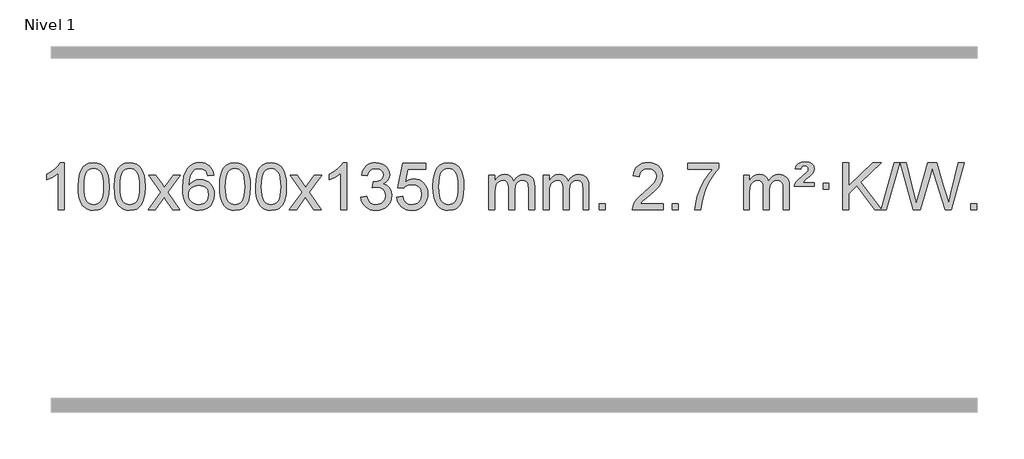
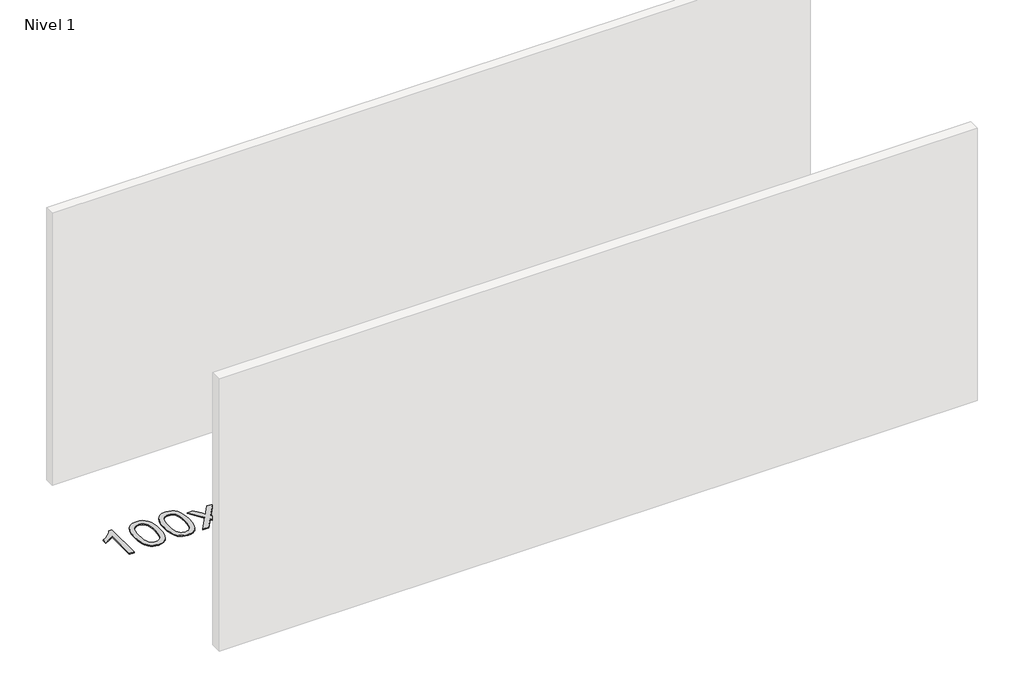
# One storey, part 13 of 21: 1 proxy.
"""IFC4 building model written with IfcOpenShell, lengths in millimetres."""

from ifc_helpers import new_model, si_unit, origin, origin_with_axes, place, context, project, spatial, polyline, outline, extrude, element, save

model = new_model("IFC4")

# Units and contexts
model_context = context("Model", 3, world=origin())
ifc_project = project(units=[si_unit("LENGTHUNIT", "METRE", prefix="MILLI")], contexts=[model_context])

# Site, building, storey
site = spatial("IfcSite", under=ifc_project)
building = spatial("IfcBuilding", under=site)
storey = spatial("IfcBuildingStorey", under=building, Name="Nivel 1", Elevation=0.0)

# Proxy
placement = place(None, origin())
element("IfcBuildingElementProxy", 1, Name="Texto de modelo 1", ObjectType="Texto de modelo 1", at=placement, inside=storey, context=model_context, shape_type="SweptSolid", body=[
    extrude(outline(polyline([(-121.6378538, -18510.579453), (-171.8660089, -18510.579453), (-171.8660089, -18197.4382987), (-192.8352826, -18214.3976587), (-219.4454136, -18231.3324932), (-272.3223191, -18256.6918254), (-272.3223191, -18209.2105225), (-232.8731065, -18187.7507395), (-198.6968691, -18162.219729), (-171.7556443, -18135.0700378), (-154.0114694, -18108.7542124), (-121.6378538, -18108.7542124), (-121.6378538, -18510.579453)])), origin_with_axes(), (0.0, 0.0, 1.0), 10.0),
    extrude(outline(polyline([(-2.3459855, -18312.9041943), (1.3450971, -18248.5861588), (12.4183452, -18197.2911459), (30.763394, -18158.2343407), (42.621457, -18143.0009605), (56.269879, -18130.6309284), (71.7546453, -18121.0598651), (89.1217412, -18114.2233914), (129.5029215, -18108.7542124), (160.4540601, -18111.991574), (188.167837, -18121.7036586), (211.3444027, -18137.5103217), (228.6839074, -18159.0314184), (241.7805065, -18186.0830078), (252.2283551, -18218.4811488), (259.0709602, -18259.6226186), (261.3518286, -18312.9041943), (257.6975341, -18376.8543477), (246.7346507, -18428.0267333), (228.4999664, -18467.1203266), (216.6694946, -18482.3996922), (203.0302696, -18494.8341036), (187.5271092, -18504.4695462), (170.1048311, -18511.3520052), (129.5029215, -18516.8579724), (101.8381955, -18514.4667394), (77.3127291, -18507.2930405), (55.9265225, -18495.3368757), (37.6795755, -18478.5982449), (20.1683926, -18448.3399508), (7.6604047, -18410.6381776), (0.155612, -18365.4929255), (-2.3459855, -18312.9041943)]), holes=[polyline([(47.8821695, -18312.8060924), (49.3536975, -18356.4706195), (53.7682815, -18391.8148822), (61.1259214, -18418.8388804), (71.4266172, -18437.5426142), (83.8855541, -18450.2682656), (97.7179171, -18459.3580165), (112.9237063, -18464.8118671), (129.5029215, -18466.6298173), (146.0821368, -18464.8057357), (161.2879259, -18459.3334911), (175.1202889, -18450.2130833), (187.5792258, -18437.4445124), (197.8799217, -18418.7101217), (205.2375616, -18391.6922549), (209.6521455, -18356.3909118), (211.1236735, -18312.8060924), (209.7011965, -18270.2973278), (205.4337653, -18235.5753989), (198.3213801, -18208.6403055), (188.3640408, -18189.4920476), (176.1135703, -18176.1440625), (162.1217918, -18166.6097875), (146.3887051, -18160.8892225), (128.9143103, -18158.9823675), (112.4209342, -18160.6623619), (97.4726625, -18165.7023452), (84.0694951, -18174.1023175), (72.2114321, -18185.8622786), (61.5673797, -18206.708925), (53.9644852, -18234.8151094), (49.4027484, -18270.1808319), (47.8821695, -18312.8060924)])]), origin_with_axes(), (0.0, 0.0, 1.0), 10.0),
    extrude(outline(polyline([(305.3014643, -18312.9041943), (308.992547, -18248.5861588), (320.065795, -18197.2911459), (338.4108439, -18158.2343407), (350.2689068, -18143.0009605), (363.9173289, -18130.6309284), (379.4020952, -18121.0598651), (396.769191, -18114.2233914), (437.1503714, -18108.7542124), (468.1015099, -18111.991574), (495.8152869, -18121.7036586), (518.9918526, -18137.5103217), (536.3313573, -18159.0314184), (549.4279563, -18186.0830078), (559.8758049, -18218.4811488), (566.7184101, -18259.6226186), (568.9992784, -18312.9041943), (565.3449839, -18376.8543477), (554.3821005, -18428.0267333), (536.1474163, -18467.1203266), (524.3169444, -18482.3996922), (510.6777195, -18494.8341036), (495.174559, -18504.4695462), (477.7522809, -18511.3520052), (437.1503714, -18516.8579724), (409.4856453, -18514.4667394), (384.960179, -18507.2930405), (363.5739723, -18495.3368757), (345.3270254, -18478.5982449), (327.8158424, -18448.3399508), (315.3078546, -18410.6381776), (307.8030619, -18365.4929255), (305.3014643, -18312.9041943)]), holes=[polyline([(355.5296194, -18312.8060924), (357.0011473, -18356.4706195), (361.4157313, -18391.8148822), (368.7733712, -18418.8388804), (379.0740671, -18437.5426142), (391.533004, -18450.2682656), (405.365367, -18459.3580165), (420.5711561, -18464.8118671), (437.1503714, -18466.6298173), (453.7295866, -18464.8057357), (468.9353757, -18459.3334911), (482.7677388, -18450.2130833), (495.2266757, -18437.4445124), (505.5273715, -18418.7101217), (512.8850114, -18391.6922549), (517.2995954, -18356.3909118), (518.7711234, -18312.8060924), (517.3486463, -18270.2973278), (513.0812152, -18235.5753989), (505.9688299, -18208.6403055), (496.0114906, -18189.4920476), (483.7610201, -18176.1440625), (469.7692416, -18166.6097875), (454.0361549, -18160.8892225), (436.5617602, -18158.9823675), (420.068384, -18160.6623619), (405.1201123, -18165.7023452), (391.716945, -18174.1023175), (379.858882, -18185.8622786), (369.2148296, -18206.708925), (361.611935, -18234.8151094), (357.0501983, -18270.1808319), (355.5296194, -18312.8060924)])]), origin_with_axes(), (0.0, 0.0, 1.0), 10.0),
    extrude(outline(polyline([(594.113356, -18510.579453), (701.4367967, -18362.2494325), (600.3918754, -18215.4890419), (660.8226244, -18215.4890419), (709.5792515, -18286.122385), (732.3388843, -18319.4770192), (752.0573592, -18292.2047007), (807.583015, -18215.4890419), (868.0137641, -18215.4890419), (761.8675458, -18362.2494325), (864.0896895, -18510.579453), (803.6589404, -18510.579453), (742.1490708, -18421.4048574), (730.8673563, -18405.1199477), (654.544105, -18510.579453), (594.113356, -18510.579453)])), origin_with_axes(), (0.0, 0.0, 1.0), 10.0),
    extrude(outline(polyline([(1152.9015812, -18215.4890419), (1102.6734261, -18221.7675613), (1094.5800222, -18196.874213), (1083.6416642, -18179.8780648), (1060.857506, -18164.2062918), (1033.3154073, -18158.9823675), (1009.9671633, -18162.0235253), (987.9923455, -18171.1469988), (969.1199991, -18190.3627017), (953.7057435, -18216.8134171), (943.2946831, -18254.227016), (939.4319221, -18306.3313693), (959.5795927, -18282.8237098), (983.7249143, -18266.2567573), (1010.5189863, -18256.434308), (1038.612908, -18253.1601582), (1062.7459669, -18255.398107), (1085.0150903, -18262.1119534), (1105.4202783, -18273.3016975), (1123.9615309, -18288.9673391), (1139.3696551, -18308.1769106), (1150.3754581, -18329.9984443), (1156.97894, -18354.4319401), (1159.1801006, -18381.4773982), (1155.0352967, -18417.4439945), (1142.6008853, -18450.786366), (1122.9069358, -18479.0642287), (1096.9835179, -18499.8372987), (1066.0078539, -18512.602804), (1031.1571662, -18516.8579724), (1001.2146375, -18514.0375437), (974.1722452, -18505.5762579), (950.0299893, -18491.4741147), (928.7878697, -18471.7311143), (911.4698248, -18445.5133908), (899.0997927, -18411.9870783), (891.6777734, -18371.1521768), (889.203767, -18323.0086864), (891.9506193, -18269.0342663), (900.191176, -18222.9693092), (913.9254371, -18184.8138149), (933.1534027, -18154.5677835), (953.9939177, -18134.5243462), (978.1576335, -18120.2076052), (1005.6445499, -18111.6175606), (1036.454667, -18108.7542124), (1059.5883131, -18110.5261773), (1080.52693, -18115.8420722), (1099.2705176, -18124.7018969), (1115.8190761, -18137.1056515), (1129.7250155, -18152.6364031), (1140.5407461, -18170.8772186), (1148.266268, -18191.8280983), (1152.9015812, -18215.4890419)]), holes=[polyline([(939.4319221, -18380.6925832), (942.3381899, -18402.9494439), (951.0569932, -18424.2007605), (964.5950506, -18442.472233), (981.9590807, -18455.7895612), (1002.9160917, -18463.9197533), (1027.2330916, -18466.6298173), (1060.3792594, -18461.0134855), (1074.2943959, -18453.9930708), (1086.4375674, -18444.1644901), (1096.2876078, -18431.9262824), (1103.323351, -18417.6769865), (1108.9519455, -18383.1451299), (1103.3969274, -18349.9989621), (1096.4531547, -18336.3781312), (1086.731873, -18324.725469), (1074.5519133, -18315.3904634), (1060.2321066, -18308.7226022), (1025.1729524, -18303.3883133), (992.0758356, -18308.7226022), (964.3988468, -18324.725469), (953.4758173, -18336.2248471), (945.6736533, -18349.3858254), (940.9923549, -18364.2084042), (939.4319221, -18380.6925832)])]), origin_with_axes(), (0.0, 0.0, 1.0), 10.0),
    extrude(outline(polyline([(1203.1297362, -18312.9041943), (1206.8208189, -18248.5861588), (1217.894067, -18197.2911459), (1236.2391158, -18158.2343407), (1248.0971788, -18143.0009605), (1261.7456008, -18130.6309284), (1277.2303671, -18121.0598651), (1294.597463, -18114.2233914), (1334.9786433, -18108.7542124), (1365.9297818, -18111.991574), (1393.6435588, -18121.7036586), (1416.8201245, -18137.5103217), (1434.1596292, -18159.0314184), (1447.2562282, -18186.0830078), (1457.7040769, -18218.4811488), (1464.546682, -18259.6226186), (1466.8275504, -18312.9041943), (1463.1732559, -18376.8543477), (1452.2103725, -18428.0267333), (1433.9756882, -18467.1203266), (1422.1452164, -18482.3996922), (1408.5059914, -18494.8341036), (1393.002831, -18504.4695462), (1375.5805529, -18511.3520052), (1334.9786433, -18516.8579724), (1307.3139173, -18514.4667394), (1282.7884509, -18507.2930405), (1261.4022443, -18495.3368757), (1243.1552973, -18478.5982449), (1225.6441144, -18448.3399508), (1213.1361265, -18410.6381776), (1205.6313338, -18365.4929255), (1203.1297362, -18312.9041943)]), holes=[polyline([(1253.3578913, -18312.8060924), (1254.8294193, -18356.4706195), (1259.2440032, -18391.8148822), (1266.6016432, -18418.8388804), (1276.902339, -18437.5426142), (1289.3612759, -18450.2682656), (1303.1936389, -18459.3580165), (1318.3994281, -18464.8118671), (1334.9786433, -18466.6298173), (1351.5578586, -18464.8057357), (1366.7636477, -18459.3334911), (1380.5960107, -18450.2130833), (1393.0549476, -18437.4445124), (1403.3556435, -18418.7101217), (1410.7132834, -18391.6922549), (1415.1278673, -18356.3909118), (1416.5993953, -18312.8060924), (1415.1769183, -18270.2973278), (1410.9094871, -18235.5753989), (1403.7971019, -18208.6403055), (1393.8397625, -18189.4920476), (1381.5892921, -18176.1440625), (1367.5975136, -18166.6097875), (1351.8644269, -18160.8892225), (1334.3900321, -18158.9823675), (1317.896656, -18160.6623619), (1302.9483843, -18165.7023452), (1289.5452169, -18174.1023175), (1277.6871539, -18185.8622786), (1267.0431015, -18206.708925), (1259.440207, -18234.8151094), (1254.8784702, -18270.1808319), (1253.3578913, -18312.8060924)])]), origin_with_axes(), (0.0, 0.0, 1.0), 10.0),
    extrude(outline(polyline([(1510.7771861, -18312.9041943), (1514.4682688, -18248.5861588), (1525.5415168, -18197.2911459), (1543.8865656, -18158.2343407), (1555.7446286, -18143.0009605), (1569.3930506, -18130.6309284), (1584.877817, -18121.0598651), (1602.2449128, -18114.2233914), (1642.6260932, -18108.7542124), (1673.5772317, -18111.991574), (1701.2910087, -18121.7036586), (1724.4675743, -18137.5103217), (1741.8070791, -18159.0314184), (1754.9036781, -18186.0830078), (1765.3515267, -18218.4811488), (1772.1941319, -18259.6226186), (1774.4750002, -18312.9041943), (1770.8207057, -18376.8543477), (1759.8578223, -18428.0267333), (1741.6231381, -18467.1203266), (1729.7926662, -18482.3996922), (1716.1534413, -18494.8341036), (1700.6502808, -18504.4695462), (1683.2280027, -18511.3520052), (1642.6260932, -18516.8579724), (1614.9613671, -18514.4667394), (1590.4359008, -18507.2930405), (1569.0496941, -18495.3368757), (1550.8027472, -18478.5982449), (1533.2915642, -18448.3399508), (1520.7835764, -18410.6381776), (1513.2787836, -18365.4929255), (1510.7771861, -18312.9041943)]), holes=[polyline([(1561.0053412, -18312.8060924), (1562.4768691, -18356.4706195), (1566.8914531, -18391.8148822), (1574.249093, -18418.8388804), (1584.5497888, -18437.5426142), (1597.0087258, -18450.2682656), (1610.8410888, -18459.3580165), (1626.0468779, -18464.8118671), (1642.6260932, -18466.6298173), (1659.2053084, -18464.8057357), (1674.4110975, -18459.3334911), (1688.2434606, -18450.2130833), (1700.7023975, -18437.4445124), (1711.0030933, -18418.7101217), (1718.3607332, -18391.6922549), (1722.7753172, -18356.3909118), (1724.2468452, -18312.8060924), (1722.8243681, -18270.2973278), (1718.556937, -18235.5753989), (1711.4445517, -18208.6403055), (1701.4872124, -18189.4920476), (1689.2367419, -18176.1440625), (1675.2449634, -18166.6097875), (1659.5118767, -18160.8892225), (1642.037482, -18158.9823675), (1625.5441058, -18160.6623619), (1610.5958341, -18165.7023452), (1597.1926667, -18174.1023175), (1585.3346038, -18185.8622786), (1574.6905514, -18206.708925), (1567.0876568, -18234.8151094), (1562.5259201, -18270.1808319), (1561.0053412, -18312.8060924)])]), origin_with_axes(), (0.0, 0.0, 1.0), 10.0),
    extrude(outline(polyline([(1799.5890778, -18510.579453), (1906.9125185, -18362.2494325), (1805.8675971, -18215.4890419), (1866.2983462, -18215.4890419), (1915.0549733, -18286.122385), (1937.8146061, -18319.4770192), (1957.533081, -18292.2047007), (2013.0587368, -18215.4890419), (2073.4894859, -18215.4890419), (1967.3432676, -18362.2494325), (2069.5654113, -18510.579453), (2009.1346622, -18510.579453), (1947.6247926, -18421.4048574), (1936.3430781, -18405.1199477), (1860.0198268, -18510.579453), (1799.5890778, -18510.579453)])), origin_with_axes(), (0.0, 0.0, 1.0), 10.0),
    extrude(outline(polyline([(2289.3135897, -18510.579453), (2239.0854347, -18510.579453), (2239.0854347, -18197.4382987), (2218.1161609, -18214.3976587), (2191.50603, -18231.3324932), (2138.6291245, -18256.6918254), (2138.6291245, -18209.2105225), (2178.0783371, -18187.7507395), (2212.2545745, -18162.219729), (2239.1957993, -18135.0700378), (2256.9399742, -18108.7542124), (2289.3135897, -18108.7542124), (2289.3135897, -18510.579453)])), origin_with_axes(), (0.0, 0.0, 1.0), 10.0),
    extrude(outline(polyline([(2408.605458, -18403.8446235), (2458.8336131, -18397.5661041), (2470.0785394, -18429.1303793), (2486.5473901, -18450.4430095), (2509.0495055, -18462.5831154), (2538.3942259, -18466.6298173), (2572.8279807, -18461.0625364), (2587.1018021, -18454.1034354), (2599.4135862, -18444.3606939), (2616.4097344, -18419.4428201), (2622.0751171, -18389.2274455), (2616.4587853, -18360.5449126), (2599.6097899, -18337.2825078), (2574.1033049, -18321.8682522), (2542.5145043, -18316.730167), (2507.2959346, -18322.2238715), (2512.8877409, -18271.9957164), (2520.9320939, -18272.5843276), (2551.0248411, -18268.979084), (2577.9292777, -18258.1633534), (2589.0025257, -18249.9841103), (2596.9119886, -18239.8673555), (2601.6576664, -18227.8130888), (2603.239559, -18213.8213102), (2598.6532968, -18192.1285352), (2584.8945101, -18174.5315131), (2563.9007109, -18162.8696539), (2537.609411, -18158.9823675), (2511.2690602, -18162.9064421), (2489.7357007, -18174.6786659), (2474.0148768, -18194.299039), (2465.1121325, -18221.7675613), (2414.8839774, -18215.4890419), (2420.8375344, -18191.5092672), (2429.6728336, -18170.3867093), (2441.3898752, -18152.1213683), (2455.988659, -18136.713244), (2473.0093327, -18124.4811677), (2491.9920436, -18115.7439703), (2512.9367919, -18110.5016519), (2535.8435774, -18108.7542124), (2567.4201154, -18112.2000404), (2596.4214793, -18122.5375245), (2620.8733693, -18138.8469596), (2638.8014852, -18160.2086408), (2649.8011568, -18184.8199463), (2653.467714, -18210.8782543), (2649.9850978, -18235.1584659), (2639.5372491, -18257.1823347), (2622.2713208, -18275.9443165), (2598.3344657, -18290.4388671), (2629.7761135, -18303.1430586), (2653.0753066, -18324.77452), (2667.4962808, -18354.1560286), (2672.3032722, -18390.1103623), (2669.8997765, -18415.5923218), (2662.6892894, -18439.0631931), (2650.6718109, -18460.5229762), (2633.847341, -18479.971671), (2613.3501825, -18496.1094278), (2590.3146382, -18507.636397), (2564.7407082, -18514.5525785), (2536.6283924, -18516.8579724), (2511.2200092, -18514.8898037), (2488.067969, -18508.9852977), (2467.1722717, -18499.1444543), (2448.5329173, -18485.3672736), (2432.9040638, -18468.4630959), (2421.0398695, -18449.2412617), (2412.9403342, -18427.7017708), (2408.605458, -18403.8446235)])), origin_with_axes(), (0.0, 0.0, 1.0), 10.0),
    extrude(outline(polyline([(2716.2529079, -18403.8446235), (2766.481063, -18397.5661041), (2775.7026383, -18427.7201649), (2791.7913442, -18449.3148381), (2814.6736043, -18462.3010725), (2844.2758422, -18466.6298173), (2863.4057059, -18465.1245668), (2880.2792268, -18460.6088153), (2894.8964047, -18453.0825628), (2907.2572398, -18442.5458094), (2917.0858204, -18429.519721), (2924.1062352, -18414.5254641), (2929.7225669, -18378.6324441), (2924.4618544, -18344.8363514), (2917.8859638, -18330.9181493), (2908.6797168, -18318.9865099), (2896.8124568, -18309.4154467), (2882.2535268, -18302.5789729), (2845.0606571, -18297.1097939), (2820.6946063, -18299.2925604), (2800.9638686, -18305.8408599), (2785.2062565, -18315.8717757), (2772.7595823, -18328.5023908), (2722.5314273, -18322.2238715), (2766.481063, -18115.0327318), (2961.1151639, -18115.0327318), (2961.1151639, -18165.2608869), (2807.0952352, -18165.2608869), (2785.6109267, -18275.919791), (2803.3367075, -18263.2155994), (2821.491684, -18254.1411769), (2840.0758561, -18248.6965234), (2859.0892239, -18246.8816388), (2883.5503109, -18249.1318504), (2906.0187037, -18255.882485), (2926.4944024, -18267.1335427), (2944.977407, -18282.8850234), (2960.2782323, -18302.1743027), (2971.2073933, -18324.038756), (2977.7648898, -18348.4783832), (2979.950722, -18375.4931844), (2977.9825533, -18401.5147042), (2972.0780473, -18425.7213394), (2962.237204, -18448.1130902), (2948.4600232, -18468.6899565), (2927.5888514, -18489.7634634), (2903.2350633, -18504.8159684), (2875.398659, -18513.8474714), (2844.0796385, -18516.8579724), (2818.1592862, -18514.9235262), (2794.7466629, -18509.1201877), (2773.8417685, -18499.447957), (2755.4446031, -18485.9068338), (2740.1376464, -18469.1712688), (2728.5033783, -18449.915712), (2720.5417988, -18428.1401636), (2716.2529079, -18403.8446235)])), origin_with_axes(), (0.0, 0.0, 1.0), 10.0),
    extrude(outline(polyline([(3023.9003577, -18312.9041943), (3027.5914404, -18248.5861588), (3038.6646885, -18197.2911459), (3057.0097373, -18158.2343407), (3068.8678003, -18143.0009605), (3082.5162223, -18130.6309284), (3098.0009886, -18121.0598651), (3115.3680844, -18114.2233914), (3155.7492648, -18108.7542124), (3186.7004033, -18111.991574), (3214.4141803, -18121.7036586), (3237.590746, -18137.5103217), (3254.9302507, -18159.0314184), (3268.0268497, -18186.0830078), (3278.4746984, -18218.4811488), (3285.3173035, -18259.6226186), (3287.5981719, -18312.9041943), (3283.9438774, -18376.8543477), (3272.9809939, -18428.0267333), (3254.7463097, -18467.1203266), (3242.9158379, -18482.3996922), (3229.2766129, -18494.8341036), (3213.7734525, -18504.4695462), (3196.3511743, -18511.3520052), (3155.7492648, -18516.8579724), (3128.0845387, -18514.4667394), (3103.5590724, -18507.2930405), (3082.1728657, -18495.3368757), (3063.9259188, -18478.5982449), (3046.4147358, -18448.3399508), (3033.906748, -18410.6381776), (3026.4019553, -18365.4929255), (3023.9003577, -18312.9041943)]), holes=[polyline([(3074.1285128, -18312.8060924), (3075.6000408, -18356.4706195), (3080.0146247, -18391.8148822), (3087.3722646, -18418.8388804), (3097.6729605, -18437.5426142), (3110.1318974, -18450.2682656), (3123.9642604, -18459.3580165), (3139.1700495, -18464.8118671), (3155.7492648, -18466.6298173), (3172.32848, -18464.8057357), (3187.5342692, -18459.3334911), (3201.3666322, -18450.2130833), (3213.8255691, -18437.4445124), (3224.126265, -18418.7101217), (3231.4839049, -18391.6922549), (3235.8984888, -18356.3909118), (3237.3700168, -18312.8060924), (3235.9475397, -18270.2973278), (3231.6801086, -18235.5753989), (3224.5677233, -18208.6403055), (3214.610384, -18189.4920476), (3202.3599136, -18176.1440625), (3188.368135, -18166.6097875), (3172.6350484, -18160.8892225), (3155.1606536, -18158.9823675), (3138.6672775, -18160.6623619), (3123.7190057, -18165.7023452), (3110.3158384, -18174.1023175), (3098.4577754, -18185.8622786), (3087.813723, -18206.708925), (3080.2108284, -18234.8151094), (3075.6490917, -18270.1808319), (3074.1285128, -18312.8060924)])]), origin_with_axes(), (0.0, 0.0, 1.0), 10.0),
    extrude(outline(polyline([(3501.0678309, -18510.579453), (3501.0678309, -18215.4890419), (3551.295986, -18215.4890419), (3551.295986, -18264.0494653), (3566.4036733, -18241.7435537), (3585.8278426, -18224.2691589), (3608.9063064, -18212.9751816), (3634.9768772, -18209.2105225), (3662.9113833, -18213.048758), (3685.3031341, -18224.5634645), (3702.0295022, -18242.9943524), (3712.9678601, -18267.5811324), (3731.2761208, -18242.0439906), (3752.1595554, -18223.803175), (3775.6181639, -18212.8586857), (3801.6519464, -18209.2105225), (3821.7597632, -18210.7280358), (3839.4089019, -18215.2805755), (3854.5993626, -18222.8681416), (3867.3311453, -18233.4907342), (3877.3957836, -18247.2709806), (3884.5848109, -18264.3315082), (3888.8982273, -18284.6723168), (3890.3360328, -18308.2934066), (3890.3360328, -18510.579453), (3840.1078777, -18510.579453), (3840.1078777, -18329.875817), (3838.942918, -18304.8230531), (3835.4480391, -18287.9372695), (3828.8997396, -18276.3735121), (3818.5745182, -18267.2868268), (3805.2939782, -18261.4007149), (3789.8797226, -18259.4386776), (3762.6687177, -18264.4663982), (3740.4854334, -18279.54956), (3731.8800604, -18291.1194488), (3725.7333654, -18305.7182326), (3720.8160094, -18344.0024856), (3720.8160094, -18510.579453), (3670.5878543, -18510.579453), (3670.5878543, -18324.2840106), (3667.6815865, -18295.8835206), (3658.9627833, -18275.6254854), (3643.6221041, -18263.4853796), (3620.8502086, -18259.4386776), (3601.4996156, -18262.1364789), (3583.6696016, -18270.2298828), (3568.9543218, -18283.5226856), (3558.9479315, -18301.8186835), (3553.2089724, -18327.2025411), (3551.295986, -18361.7589232), (3551.295986, -18510.579453), (3501.0678309, -18510.579453)])), origin_with_axes(), (0.0, 0.0, 1.0), 10.0),
    extrude(outline(polyline([(3965.6782654, -18510.579453), (3965.6782654, -18215.4890419), (4015.9064204, -18215.4890419), (4015.9064204, -18264.0494653), (4031.0141077, -18241.7435537), (4050.4382771, -18224.2691589), (4073.5167409, -18212.9751816), (4099.5873116, -18209.2105225), (4127.5218178, -18213.048758), (4149.9135685, -18224.5634645), (4166.6399366, -18242.9943524), (4177.5782946, -18267.5811324), (4195.8865552, -18242.0439906), (4216.7699898, -18223.803175), (4240.2285984, -18212.8586857), (4266.2623809, -18209.2105225), (4286.3701976, -18210.7280358), (4304.0193363, -18215.2805755), (4319.209797, -18222.8681416), (4331.9415798, -18233.4907342), (4342.006218, -18247.2709806), (4349.1952453, -18264.3315082), (4353.5086617, -18284.6723168), (4354.9464672, -18308.2934066), (4354.9464672, -18510.579453), (4304.7183121, -18510.579453), (4304.7183121, -18329.875817), (4303.5533525, -18304.8230531), (4300.0584735, -18287.9372695), (4293.510174, -18276.3735121), (4283.1849527, -18267.2868268), (4269.9044126, -18261.4007149), (4254.490157, -18259.4386776), (4227.2791521, -18264.4663982), (4205.0958678, -18279.54956), (4196.4904948, -18291.1194488), (4190.3437998, -18305.7182326), (4185.4264438, -18344.0024856), (4185.4264438, -18510.579453), (4135.1982887, -18510.579453), (4135.1982887, -18324.2840106), (4132.292021, -18295.8835206), (4123.5732177, -18275.6254854), (4108.2325385, -18263.4853796), (4085.460643, -18259.4386776), (4066.11005, -18262.1364789), (4048.280036, -18270.2298828), (4033.5647562, -18283.5226856), (4023.5583659, -18301.8186835), (4017.8194068, -18327.2025411), (4015.9064204, -18361.7589232), (4015.9064204, -18510.579453), (3965.6782654, -18510.579453)])), origin_with_axes(), (0.0, 0.0, 1.0), 10.0),
    extrude(outline(polyline([(4442.8457386, -18510.579453), (4442.8457386, -18460.3512979), (4493.0738936, -18460.3512979), (4493.0738936, -18510.579453), (4442.8457386, -18510.579453)])), origin_with_axes(), (0.0, 0.0, 1.0), 10.0),
    extrude(outline(polyline([(4989.076925, -18460.3512979), (4989.076925, -18510.579453), (4725.3791109, -18510.579453), (4726.4827569, -18492.8965918), (4730.7747135, -18475.9494945), (4743.160074, -18448.8856424), (4761.2843936, -18422.6311307), (4787.5021171, -18395.1503456), (4824.1676893, -18364.4076736), (4878.3689699, -18316.2641831), (4910.8897383, -18280.7267824), (4927.1501225, -18251.884834), (4932.5702506, -18223.8277005), (4927.4566908, -18198.6768347), (4912.1160116, -18177.7688747), (4888.5347757, -18163.6789943), (4858.6995459, -18158.9823675), (4827.3682627, -18163.5686297), (4803.0267373, -18177.3274163), (4787.3181761, -18199.1796068), (4781.8857853, -18228.0460807), (4731.6576303, -18221.7675613), (4735.977178, -18195.838012), (4743.8345243, -18173.1826125), (4755.2296691, -18153.8013627), (4770.1626124, -18137.6942627), (4788.2899977, -18125.0329907), (4809.2684685, -18115.989225), (4833.0980247, -18110.5629655), (4859.7786664, -18108.7542124), (4886.6984314, -18110.7653006), (4910.6567464, -18116.7985654), (4931.6536112, -18126.8540066), (4949.6890261, -18140.9316242), (4964.1743796, -18157.9890861), (4974.5210607, -18176.9840598), (4980.7290694, -18197.9165453), (4982.7984056, -18220.7865427), (4980.5665882, -18244.8092369), (4973.8711359, -18268.4149983), (4961.9885474, -18292.4254299), (4944.1953216, -18317.6621347), (4915.8316198, -18347.7916701), (4872.2376033, -18386.4805933), (4814.4556046, -18434.795762), (4791.7940737, -18460.3512979), (4989.076925, -18460.3512979)])), origin_with_axes(), (0.0, 0.0, 1.0), 10.0),
    extrude(outline(polyline([(5064.4191576, -18510.579453), (5064.4191576, -18460.3512979), (5114.6473127, -18460.3512979), (5114.6473127, -18510.579453), (5064.4191576, -18510.579453)])), origin_with_axes(), (0.0, 0.0, 1.0), 10.0),
    extrude(outline(polyline([(5196.2680647, -18165.2608869), (5196.2680647, -18115.0327318), (5459.9658788, -18115.0327318), (5459.9658788, -18155.646904), (5422.3806017, -18203.214046), (5385.1632065, -18263.7061088), (5352.3358698, -18331.6048623), (5327.920768, -18401.3920768), (5315.9523405, -18453.6067947), (5309.2814136, -18510.579453), (5259.0532585, -18510.579453), (5264.4856493, -18458.8061935), (5279.0169881, -18397.2717985), (5302.2548675, -18332.0463207), (5333.80688, -18269.1998132), (5370.6441304, -18212.3865704), (5409.7377238, -18165.2608869), (5196.2680647, -18165.2608869)])), origin_with_axes(), (0.0, 0.0, 1.0), 10.0),
    extrude(outline(polyline([(5673.4355379, -18510.579453), (5673.4355379, -18215.4890419), (5723.663693, -18215.4890419), (5723.663693, -18264.0494653), (5738.7713803, -18241.7435537), (5758.1955496, -18224.2691589), (5781.2740134, -18212.9751816), (5807.3445842, -18209.2105225), (5835.2790903, -18213.048758), (5857.6708411, -18224.5634645), (5874.3972091, -18242.9943524), (5885.3355671, -18267.5811324), (5903.6438278, -18242.0439906), (5924.5272623, -18223.803175), (5947.9858709, -18212.8586857), (5974.0196534, -18209.2105225), (5994.1274702, -18210.7280358), (6011.7766089, -18215.2805755), (6026.9670696, -18222.8681416), (6039.6988523, -18233.4907342), (6049.7634906, -18247.2709806), (6056.9525179, -18264.3315082), (6061.2659343, -18284.6723168), (6062.7037397, -18308.2934066), (6062.7037397, -18510.579453), (6012.4755847, -18510.579453), (6012.4755847, -18329.875817), (6011.310625, -18304.8230531), (6007.8157461, -18287.9372695), (6001.2674465, -18276.3735121), (5990.9422252, -18267.2868268), (5977.6616852, -18261.4007149), (5962.2474296, -18259.4386776), (5935.0364247, -18264.4663982), (5912.8531404, -18279.54956), (5904.2477674, -18291.1194488), (5898.1010724, -18305.7182326), (5893.1837164, -18344.0024856), (5893.1837164, -18510.579453), (5842.9555613, -18510.579453), (5842.9555613, -18324.2840106), (5840.0492935, -18295.8835206), (5831.3304902, -18275.6254854), (5815.989811, -18263.4853796), (5793.2179155, -18259.4386776), (5773.8673226, -18262.1364789), (5756.0373086, -18270.2298828), (5741.3220287, -18283.5226856), (5731.3156385, -18301.8186835), (5725.5766794, -18327.2025411), (5723.663693, -18361.7589232), (5723.663693, -18510.579453), (5673.4355379, -18510.579453)])), origin_with_axes(), (0.0, 0.0, 1.0), 10.0),
    extrude(outline(polyline([(6106.6533754, -18309.6668327), (6110.4793482, -18293.8479069), (6118.8180067, -18277.9799302), (6140.3268407, -18252.8413272), (6172.2835234, -18225.1030247), (6216.4293628, -18187.726214), (6223.5662735, -18176.1992448), (6225.9452437, -18164.3779701), (6224.0567828, -18152.2869152), (6218.3914001, -18142.5012541), (6209.022672, -18136.026531), (6196.0241748, -18133.8682899), (6183.5897634, -18135.4869707), (6174.73607, -18140.343013), (6168.3103978, -18149.8098431), (6163.1600499, -18165.2608869), (6112.9318948, -18158.9823675), (6123.7721509, -18133.7701881), (6140.4004171, -18116.2099542), (6164.165594, -18105.9092583), (6196.4165822, -18102.475693), (6232.1992376, -18106.6082341), (6256.9454332, -18119.0058573), (6271.3664074, -18137.3386434), (6276.1733988, -18159.2766731), (6272.0776459, -18182.1834586), (6259.7903873, -18203.8149199), (6239.262572, -18223.6314968), (6202.7932035, -18251.6886303), (6177.1886166, -18278.2742358), (6276.1733988, -18278.2742358), (6276.1733988, -18309.6668327), (6106.6533754, -18309.6668327)])), origin_with_axes(), (0.0, 0.0, 1.0), 10.0),
    extrude(outline(polyline([(6351.5156314, -18334.7809102), (6351.5156314, -18284.5527552), (6401.7437865, -18284.5527552), (6401.7437865, -18334.7809102), (6351.5156314, -18334.7809102)])), origin_with_axes(), (0.0, 0.0, 1.0), 10.0),
    extrude(outline(polyline([(6792.3854144, -18510.579453), (6638.954097, -18307.9009991), (6571.2638099, -18372.4520265), (6571.2638099, -18510.579453), (6521.0356548, -18510.579453), (6521.0356548, -18108.7542124), (6571.2638099, -18108.7542124), (6571.2638099, -18305.4484525), (6777.2777272, -18108.7542124), (6847.5186628, -18108.7542124), (6674.5650741, -18273.9577537), (6849.218684, -18504.5349332), (6960.5320117, -18108.7542124), (7005.8550735, -18108.7542124), (6892.8417246, -18510.579453), (6853.7971822, -18510.579453), (6847.5186628, -18510.579453), (6792.3854144, -18510.579453)])), origin_with_axes(), (0.0, 0.0, 1.0), 10.0),
    extrude(outline(polyline([(7120.3399504, -18510.579453), (7010.7601668, -18108.7542124), (7062.5579517, -18108.7542124), (7126.1279605, -18372.844434), (7145.7483335, -18454.3670841), (7166.7421327, -18382.2622131), (7246.4008474, -18108.7542124), (7321.056367, -18108.7542124), (7378.9364675, -18307.0180823), (7403.731714, -18380.5944814), (7422.0031864, -18454.3670841), (7441.0349483, -18375.1988788), (7505.1935683, -18108.7542124), (7556.9913532, -18108.7542124), (7447.3134677, -18510.579453), (7393.6517474, -18510.579453), (7297.3157155, -18200.5775584), (7283.87576, -18157.3146358), (7268.7680727, -18209.4067263), (7180.9669032, -18510.579453), (7120.3399504, -18510.579453)])), origin_with_axes(), (0.0, 0.0, 1.0), 10.0),
    extrude(outline(polyline([(7613.4980277, -18510.579453), (7613.4980277, -18460.3512979), (7663.7261827, -18460.3512979), (7663.7261827, -18510.579453), (7613.4980277, -18510.579453)])), origin_with_axes(), (0.0, 0.0, 1.0), 10.0),
])

save(model, "model.ifc")
